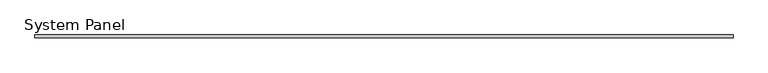
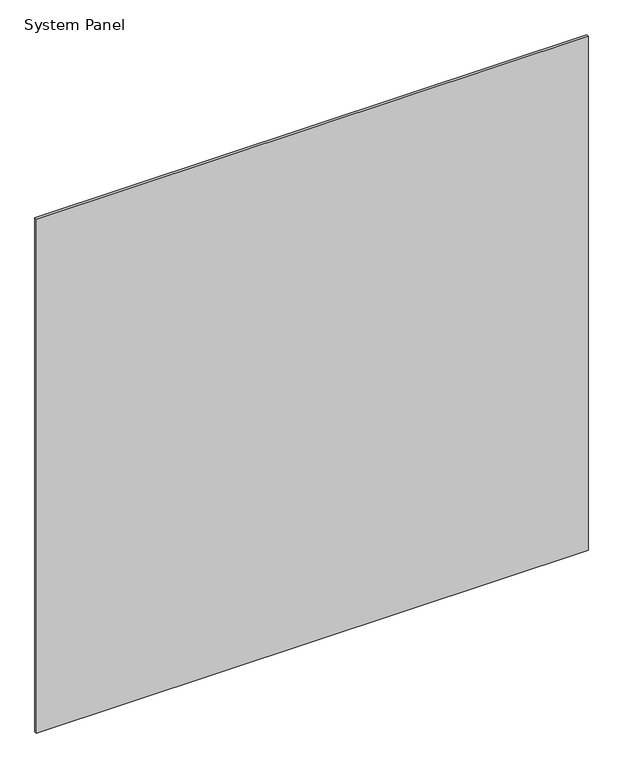
"""IFC4 building model written with IfcOpenShell, lengths in millimetres: plate geometry, System Panel."""

from ifc_helpers import new_model, si_unit, origin, origin_with_axes, place, context, project, spatial, polyline, outline, extrude, source, transform, mapped, element, save


def system_panel_b80b257b(model_context):
    return source(origin(), model_context, "Body", "SweptSolid", [
        extrude(outline(polyline([(739.7806673, -12.8), (-739.7806673, -12.8), (-739.7806673, -6.4), (739.7806673, -6.4), (739.7806673, -12.8)])), origin_with_axes(), (0.0, 0.0, 1.0), 1457.3476692),
    ])


if __name__ == "__main__":
    model = new_model("IFC4")
    model_context = context("Model", 3, world=origin())
    ifc_project = project(units=[si_unit("LENGTHUNIT", "METRE", prefix="MILLI")], contexts=[model_context])
    site = spatial("IfcSite", under=ifc_project)
    building = spatial("IfcBuilding", under=site)
    placement = place(None, origin())
    system_panel_shape = system_panel_b80b257b(model_context)
    element("IfcPlate", 1, ObjectType="System Panel", at=placement, inside=building, context=model_context, shape_type="MappedRepresentation", body=[
        mapped(system_panel_shape, transform((0.0, 0.0, 0.0), x_axis=(1.0, 0.0, 0.0), y_axis=(0.0, 1.0, 0.0), z_axis=(0.0, 0.0, 1.0))),
    ])
    save(model, "model.ifc")
